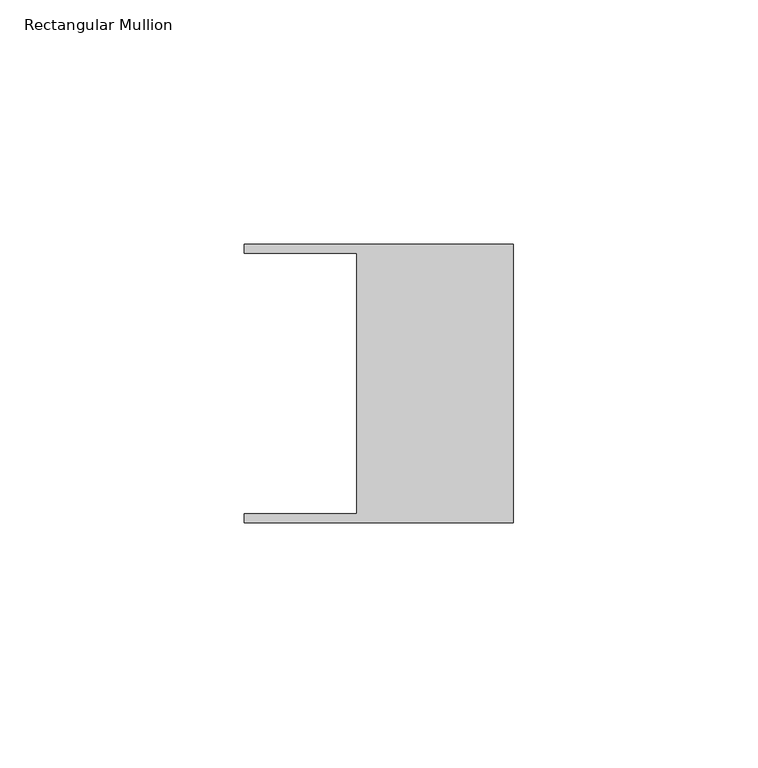
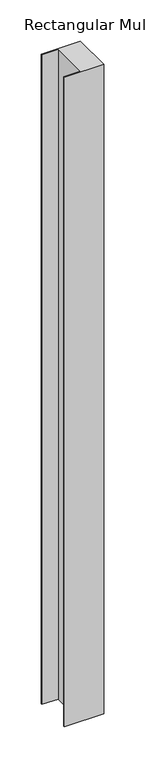
"""IFC4 building model written with IfcOpenShell, lengths in millimetres: member geometry, Rectangular Mullion."""

from ifc_helpers import new_model, si_unit, frame, origin, place, context, project, spatial, polyline, outline, extrude, source, transform, mapped, element, save


def rectangular_mullion_738bb29a(model_context):
    return source(origin(), model_context, "Body", "SweptSolid", [
        extrude(outline(polyline([(-32.004, -26.67), (-32.004, 26.67), (-54.991, 26.67), (-54.991, 28.448), (0.0, 28.448), (0.0, -28.448), (-54.991, -28.448), (-54.991, -26.67), (-32.004, -26.67)])), frame((0.0, 0.0, -965.1999516), z_axis=(0.0, 0.0, 1.0), x_axis=(1.0, 0.0, 0.0)), (0.0, 0.0, 1.0), 965.1999516),
    ])


if __name__ == "__main__":
    model = new_model("IFC4")
    model_context = context("Model", 3, world=origin())
    ifc_project = project(units=[si_unit("LENGTHUNIT", "METRE", prefix="MILLI")], contexts=[model_context])
    site = spatial("IfcSite", under=ifc_project)
    building = spatial("IfcBuilding", under=site)
    placement = place(None, origin())
    rectangular_mullion_shape = rectangular_mullion_738bb29a(model_context)
    element("IfcMember", 1, ObjectType="Rectangular Mullion", at=placement, inside=building, context=model_context, shape_type="MappedRepresentation", body=[
        mapped(rectangular_mullion_shape, transform((0.0, 0.0, 0.0), x_axis=(1.0, 0.0, 0.0), y_axis=(0.0, 1.0, 0.0), z_axis=(0.0, 0.0, 1.0))),
    ])
    save(model, "model.ifc")
